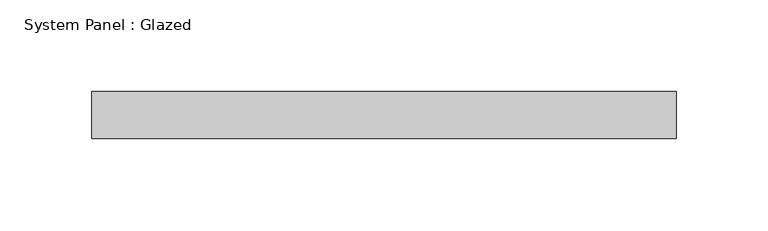
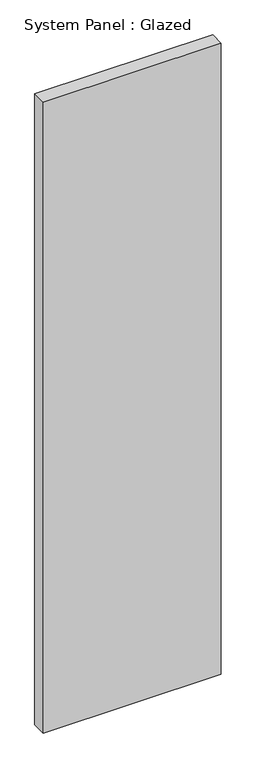
"""IFC4 building model written with IfcOpenShell, lengths in millimetres: plate geometry, System Panel : Glazed."""

from ifc_helpers import new_model, si_unit, origin, origin_with_axes, place, context, project, spatial, polyline, outline, extrude, source, transform, mapped, element, save


def system_panel_glazed_0b25fc78(model_context):
    return source(origin(), model_context, "Body", "SweptSolid", [
        extrude(outline(polyline([(158.75, -12.7), (-158.75, -12.7), (-158.75, 12.7), (158.75, 12.7), (158.75, -12.7)])), origin_with_axes(), (0.0, 0.0, 1.0), 1187.45),
    ])


if __name__ == "__main__":
    model = new_model("IFC4")
    model_context = context("Model", 3, world=origin())
    ifc_project = project(units=[si_unit("LENGTHUNIT", "METRE", prefix="MILLI")], contexts=[model_context])
    site = spatial("IfcSite", under=ifc_project)
    building = spatial("IfcBuilding", under=site)
    placement = place(None, origin())
    system_panel_glazed_shape = system_panel_glazed_0b25fc78(model_context)
    element("IfcPlate", 1, ObjectType="System Panel : Glazed", at=placement, inside=building, context=model_context, shape_type="MappedRepresentation", body=[
        mapped(system_panel_glazed_shape, transform((0.0, 0.0, 0.0), x_axis=(1.0, 0.0, 0.0), y_axis=(0.0, 1.0, 0.0), z_axis=(0.0, 0.0, 1.0))),
    ])
    save(model, "model.ifc")
